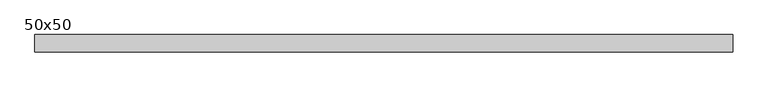
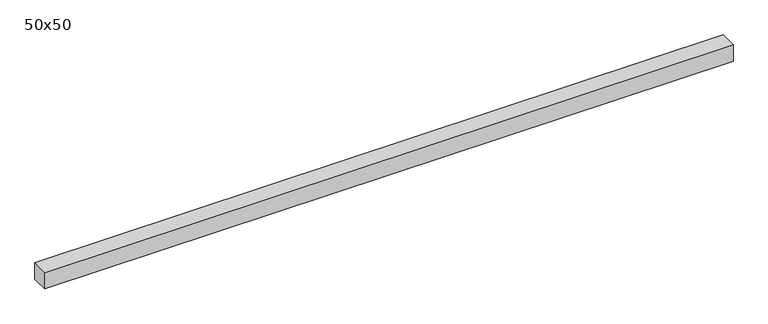
"""IFC4 building model written with IfcOpenShell, lengths in millimetres: beam geometry, 50x50."""

from ifc_helpers import new_model, si_unit, frame, origin, place, context, project, spatial, polyline, outline, extrude, source, transform, mapped, element, save


def beam_50x50_ec1bd43c(model_context):
    return source(origin(), model_context, "Body", "SweptSolid", [
        extrude(outline(polyline([(1000.0, 25.0), (1000.0, -25.0), (-1000.0, -25.0), (-1000.0, 25.0), (1000.0, 25.0)])), frame((0.0, 0.0, -25.0), z_axis=(0.0, 0.0, 1.0), x_axis=(1.0, 0.0, 0.0)), (0.0, 0.0, 1.0), 50.0),
    ])


if __name__ == "__main__":
    model = new_model("IFC4")
    model_context = context("Model", 3, world=origin())
    ifc_project = project(units=[si_unit("LENGTHUNIT", "METRE", prefix="MILLI")], contexts=[model_context])
    site = spatial("IfcSite", under=ifc_project)
    building = spatial("IfcBuilding", under=site)
    placement = place(None, origin())
    beam_50x50_shape = beam_50x50_ec1bd43c(model_context)
    element("IfcBeam", 1, ObjectType="50x50", at=placement, inside=building, context=model_context, shape_type="MappedRepresentation", body=[
        mapped(beam_50x50_shape, transform((0.0, 0.0, 0.0), x_axis=(1.0, 0.0, 0.0), y_axis=(0.0, 1.0, 0.0), z_axis=(0.0, 0.0, 1.0))),
    ])
    save(model, "model.ifc")
